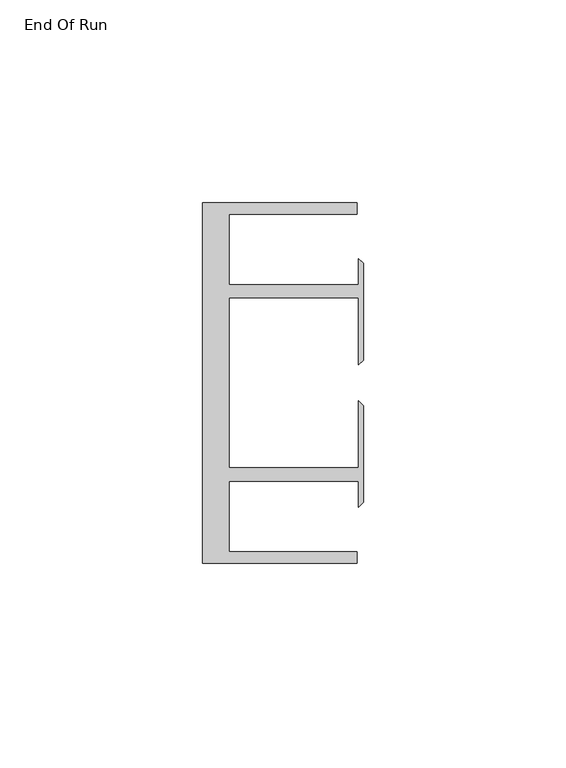
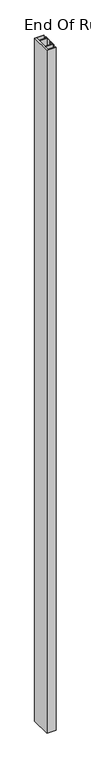
"""IFC4 building model written with IfcOpenShell, lengths in millimetres: furniture geometry, End Of Run."""

from ifc_helpers import new_model, si_unit, origin, origin_with_axes, place, context, project, spatial, polyline, outline, extrude, source, transform, mapped, element, save


def end_of_run_31b30fdb(model_context):
    return source(origin(), model_context, "Body", "SweptSolid", [
        extrude(outline(polyline([(29.9771531, 59.951805), (68.0771531, 59.951805), (68.0771531, 57.1518064), (36.5771534, 57.1518064), (36.5771534, 39.7518058), (68.5195633, 39.7518058), (68.5195633, 46.1177636), (69.6646531, 44.9726737), (69.6646531, 21.086411), (68.5195633, 19.9413211), (68.5195633, 36.4518057), (36.5771534, 36.4518057), (36.5771534, -5.4481956), (68.5195633, -5.4481956), (68.5195633, 11.062289), (69.6646531, 9.9171991), (69.6646531, -13.9690637), (68.5195633, -15.1141535), (68.5195633, -8.7481957), (36.5771534, -8.7481957), (36.5771534, -26.1481963), (68.0771531, -26.1481963), (68.0771531, -28.948195), (29.9771531, -28.948195), (29.9771531, 59.951805)])), origin_with_axes(), (0.0, 0.0, 1.0), 3048.0),
    ])


if __name__ == "__main__":
    model = new_model("IFC4")
    model_context = context("Model", 3, world=origin())
    ifc_project = project(units=[si_unit("LENGTHUNIT", "METRE", prefix="MILLI")], contexts=[model_context])
    site = spatial("IfcSite", under=ifc_project)
    building = spatial("IfcBuilding", under=site)
    placement = place(None, origin())
    end_of_run_shape = end_of_run_31b30fdb(model_context)
    element("IfcFurniture", 1, ObjectType="End Of Run", at=placement, inside=building, context=model_context, shape_type="MappedRepresentation", body=[
        mapped(end_of_run_shape, transform((0.0, 0.0, 0.0), x_axis=(1.0, 0.0, 0.0), y_axis=(0.0, 1.0, 0.0), z_axis=(0.0, 0.0, 1.0))),
    ])
    save(model, "model.ifc")
